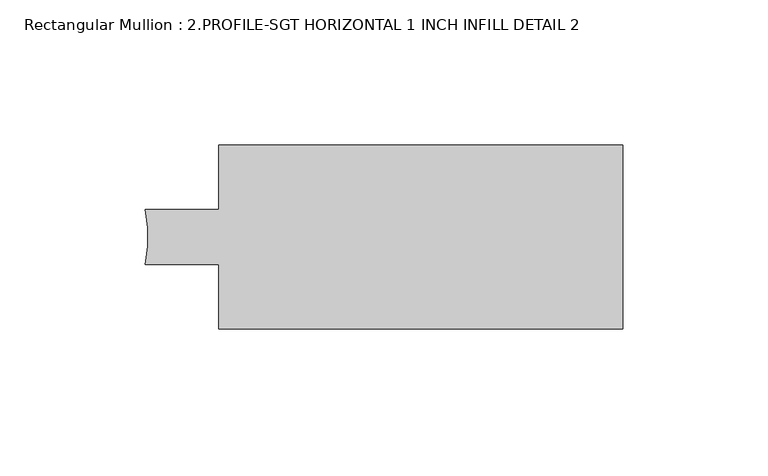
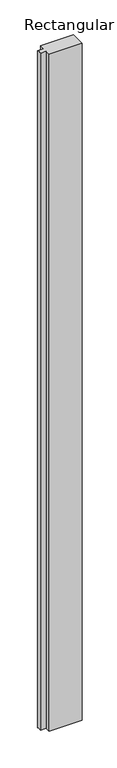
"""IFC4 building model written with IfcOpenShell, lengths in millimetres: member geometry, Rectangular Mullion : 2.PROFILE-SGT HORIZONTAL 1 INCH INFILL DETAIL 2."""

from ifc_helpers import new_model, si_unit, point, frame, frame_2d, origin, place, context, project, spatial, polyline, circle_curve, trimmed, segment, composite_curve, outline, extrude, source, transform, mapped, element, save


def rectangular_mullion_2_profile_sgt_horizontal_1_inch_infill_8d137a52(model_context):
    return source(origin(), model_context, "Body", "SweptSolid", [
        extrude(outline(composite_curve([segment(polyline([(-139.192, -31.75), (-139.192, -9.5251132), (-164.592, -9.5251132)]), True, "CONTINUOUS"), segment(trimmed(circle_curve(frame_2d((-205.2875843, 0.0)), 41.7954347), [point((-164.592, -9.5251132))], [point((-164.592, 9.5251132))], True, "CARTESIAN"), True, "CONTINUOUS"), segment(polyline([(-164.592, 9.5251132), (-139.192, 9.5251132), (-139.192, 31.75), (0.0, 31.75), (0.0, -31.75), (-139.192, -31.75)]), True, "CONTINUOUS")], self_intersect=False)), frame((0.0, 0.0, -3048.0), z_axis=(0.0, 0.0, 1.0), x_axis=(1.0, 0.0, 0.0)), (0.0, 0.0, 1.0), 3048.0),
    ])


if __name__ == "__main__":
    model = new_model("IFC4")
    model_context = context("Model", 3, world=origin())
    ifc_project = project(units=[si_unit("LENGTHUNIT", "METRE", prefix="MILLI")], contexts=[model_context])
    site = spatial("IfcSite", under=ifc_project)
    building = spatial("IfcBuilding", under=site)
    placement = place(None, origin())
    rectangular_mullion_2_profile_sgt_horizontal_1_inch_infill_shape = rectangular_mullion_2_profile_sgt_horizontal_1_inch_infill_8d137a52(model_context)
    element("IfcMember", 1, ObjectType="Rectangular Mullion : 2.PROFILE-SGT HORIZONTAL 1 INCH INFILL DETAIL 2", at=placement, inside=building, context=model_context, shape_type="MappedRepresentation", body=[
        mapped(rectangular_mullion_2_profile_sgt_horizontal_1_inch_infill_shape, transform((0.0, 0.0, 0.0), x_axis=(1.0, 0.0, 0.0), y_axis=(0.0, 1.0, 0.0), z_axis=(0.0, 0.0, 1.0))),
    ])
    save(model, "model.ifc")
